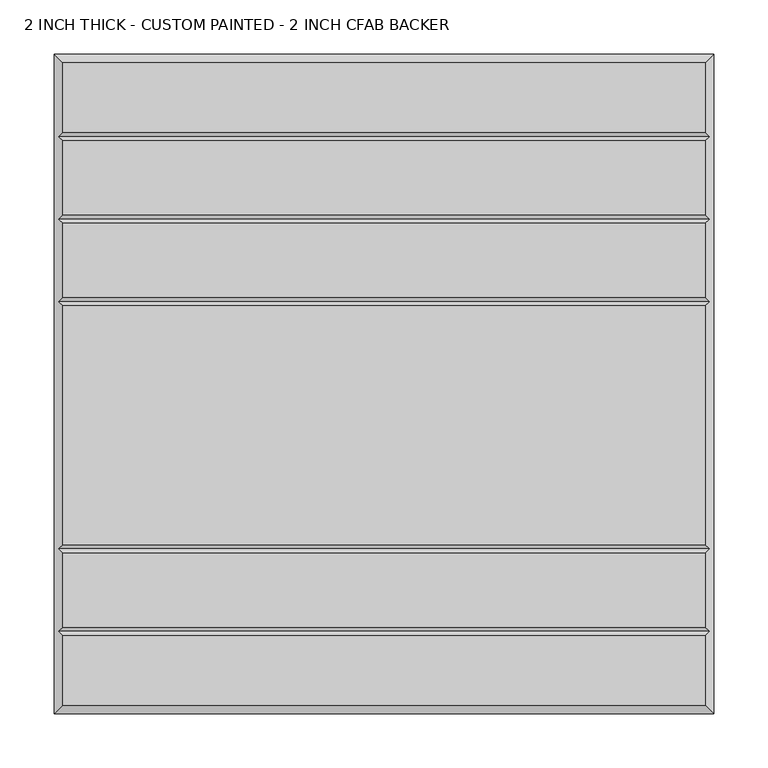
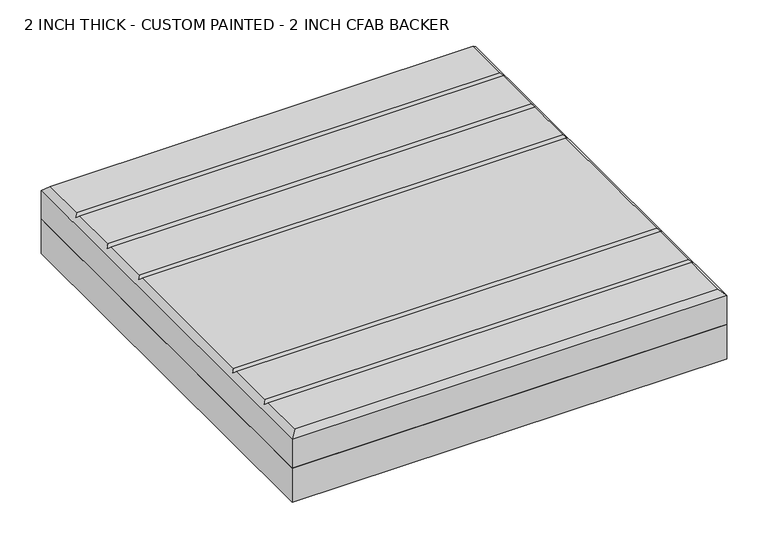
"""IFC4 building model written with IfcOpenShell, lengths in millimetres: proxy geometry, 2 INCH THICK - CUSTOM PAINTED - 2 INCH CFAB BACKER."""

from ifc_helpers import new_model, si_unit, frame, origin, place, context, project, spatial, polyline, outline, extrude, faceted_brep, source, transform, mapped, element, save


def proxy_2_inch_thick_custom_painted_2_inch_cfab_backer_4c273653(model_context):
    return source(origin(), model_context, "Body", "SolidModel", [
        extrude(outline(polyline([(-304.8, 304.8), (304.8, 304.8), (304.8, -304.8), (-304.8, -304.8), (-304.8, 304.8)])), frame((0.0, 0.0, -50.8), z_axis=(0.0, 0.0, 1.0), x_axis=(1.0, 0.0, 0.0)), (0.0, 0.0, 1.0), 50.8),
        faceted_brep([(296.799, 296.799, 50.8), (-296.799, 296.799, 50.8), (-296.799, 232.6005, 50.8), (296.799, 232.6005, 50.8), (-296.799, -296.799, 50.8), (296.799, -296.799, 50.8), (296.799, -232.6005, 50.8), (-296.799, -232.6005, 50.8), (296.799, 148.3995, 50.8), (-296.799, 148.3995, 50.8), (-296.799, 80.2005, 50.8), (296.799, 80.2005, 50.8), (-296.799, 156.4005, 50.8), (296.799, 156.4005, 50.8), (296.799, 224.5995, 50.8), (-296.799, 224.5995, 50.8), (296.799, 72.1995, 50.8), (-296.799, 72.1995, 50.8), (-296.799, -148.3995, 50.8), (296.799, -148.3995, 50.8), (296.799, -156.4005, 50.8), (-296.799, -156.4005, 50.8), (-296.799, -224.5995, 50.8), (296.799, -224.5995, 50.8), (-304.8, 304.8, 0.0), (304.8, 304.8, 0.0), (304.8, -304.8, 0.0), (-304.8, -304.8, 0.0), (-304.8, -304.8, 42.799), (-304.8, 304.8, 42.799), (304.8, -304.8, 42.799), (304.8, 304.8, 42.799), (-300.7995, -228.6, 46.7995), (-300.7995, -152.4, 46.7995), (-300.7995, 76.2, 46.7995), (-300.7995, 152.4, 46.7995), (-300.7995, 228.6, 46.7995), (300.7995, 228.6, 46.7995), (300.7995, 152.4, 46.7995), (300.7995, 76.2, 46.7995), (300.7995, -152.4, 46.7995), (300.7995, -228.6, 46.7995)], [[[0, 1, 2, 3]], [[4, 5, 6, 7]], [[8, 9, 10, 11]], [[12, 13, 14, 15]], [[16, 17, 18, 19]], [[20, 21, 22, 23]], [[24, 25, 26, 27]], [[24, 27, 28, 29]], [[27, 26, 30, 28]], [[26, 25, 31, 30]], [[25, 24, 29, 31]], [[29, 1, 0, 31]], [[1, 29, 28, 4, 7, 32, 22, 21, 33, 18, 17, 34, 10, 9, 35, 12, 15, 36, 2]], [[4, 28, 30, 5]], [[31, 0, 3, 37, 14, 13, 38, 8, 11, 39, 16, 19, 40, 20, 23, 41, 6, 5, 30]], [[38, 35, 9, 8]], [[35, 38, 13, 12]], [[39, 34, 17, 16]], [[34, 39, 11, 10]], [[40, 33, 21, 20]], [[33, 40, 19, 18]], [[41, 32, 7, 6]], [[32, 41, 23, 22]], [[37, 36, 15, 14]], [[36, 37, 3, 2]]]),
    ])


if __name__ == "__main__":
    model = new_model("IFC4")
    model_context = context("Model", 3, world=origin())
    ifc_project = project(units=[si_unit("LENGTHUNIT", "METRE", prefix="MILLI")], contexts=[model_context])
    site = spatial("IfcSite", under=ifc_project)
    building = spatial("IfcBuilding", under=site)
    placement = place(None, origin())
    proxy_2_inch_thick_custom_painted_2_inch_cfab_backer_shape = proxy_2_inch_thick_custom_painted_2_inch_cfab_backer_4c273653(model_context)
    element("IfcBuildingElementProxy", 1, Name="2 INCH THICK - CUSTOM PAINTED - 2 INCH CFAB BACKER", ObjectType="2 INCH THICK - CUSTOM PAINTED - 2 INCH CFAB BACKER", at=placement, inside=building, context=model_context, shape_type="MappedRepresentation", body=[
        mapped(proxy_2_inch_thick_custom_painted_2_inch_cfab_backer_shape, transform((0.0, 0.0, 0.0), x_axis=(1.0, 0.0, 0.0), y_axis=(0.0, 1.0, 0.0), z_axis=(0.0, 0.0, 1.0))),
    ])
    save(model, "model.ifc")
